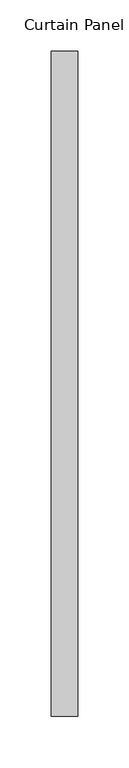
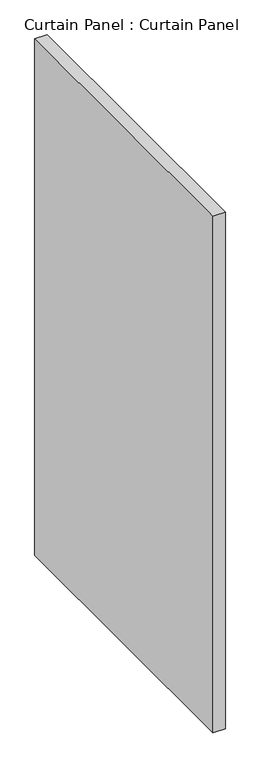
"""IFC4 building model written with IfcOpenShell, lengths in millimetres: plate geometry, Curtain Panel : Curtain Panel."""

from ifc_helpers import new_model, si_unit, frame, origin, place, context, project, spatial, polyline, outline, extrude, source, transform, mapped, element, save


def curtain_panel_curtain_panel_961ad5d5(model_context):
    return source(origin(), model_context, "Body", "SweptSolid", [
        extrude(outline(polyline([(-173914.1972439, 7367.456816), (-173914.1972439, 6720.8802048), (-173939.5972439, 6720.8802048), (-173939.5972439, 7367.456816), (-173914.1972439, 7367.456816)])), frame((0.0, 0.0, 2455.8625), z_axis=(0.0, 0.0, 1.0), x_axis=(1.0, 0.0, 0.0)), (0.0, 0.0, 1.0), 1143.0),
    ])


if __name__ == "__main__":
    model = new_model("IFC4")
    model_context = context("Model", 3, world=origin())
    ifc_project = project(units=[si_unit("LENGTHUNIT", "METRE", prefix="MILLI")], contexts=[model_context])
    site = spatial("IfcSite", under=ifc_project)
    building = spatial("IfcBuilding", under=site)
    placement = place(None, origin())
    curtain_panel_curtain_panel_shape = curtain_panel_curtain_panel_961ad5d5(model_context)
    element("IfcPlate", 1, ObjectType="Curtain Panel : Curtain Panel", at=placement, inside=building, context=model_context, shape_type="MappedRepresentation", body=[
        mapped(curtain_panel_curtain_panel_shape, transform((0.0, 0.0, 0.0), x_axis=(1.0, 0.0, 0.0), y_axis=(0.0, 1.0, 0.0), z_axis=(0.0, 0.0, 1.0))),
    ])
    save(model, "model.ifc")
